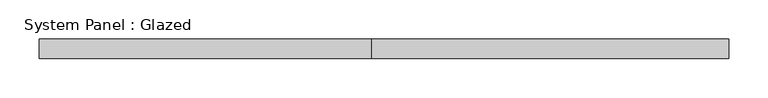
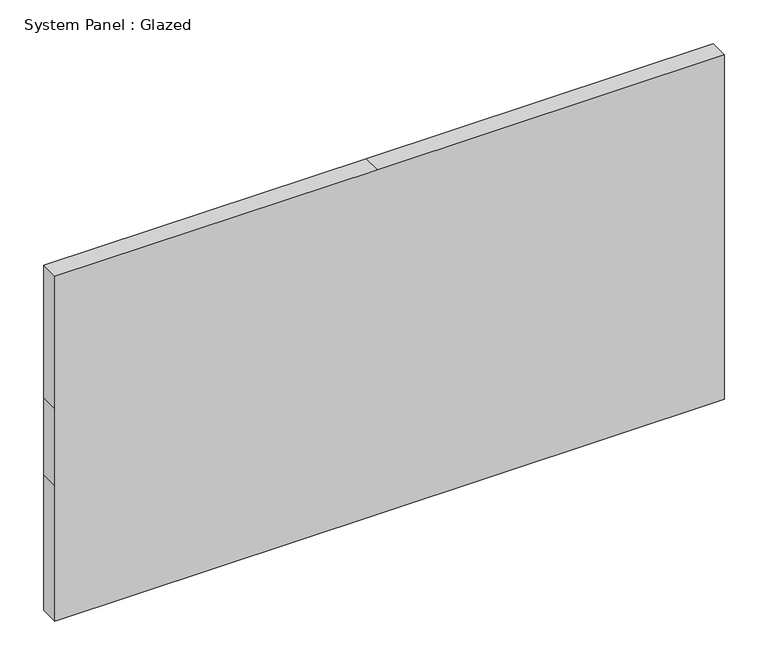
"""IFC4 building model written with IfcOpenShell, lengths in millimetres: plate geometry, System Panel : Glazed."""

from ifc_helpers import new_model, si_unit, frame, origin, place, context, project, spatial, polyline, outline, extrude, source, transform, mapped, element, save


def system_panel_glazed_cfced937(model_context):
    return source(origin(), model_context, "Body", "SweptSolid", [
        extrude(outline(polyline([(0.0, -441.325), (0.0, -15.875), (0.0, 441.325), (188.3833333, 441.325), (296.3333333, 441.325), (480.4833333, 441.325), (480.4833333, -15.875), (480.4833333, -441.325), (296.3333333, -441.325), (188.3833333, -441.325), (0.0, -441.325)])), frame((0.0, 19.05, 0.0), z_axis=(0.0, 1.0, 0.0), x_axis=(0.0, 0.0, 1.0)), (0.0, 0.0, 1.0), 25.4),
    ])


if __name__ == "__main__":
    model = new_model("IFC4")
    model_context = context("Model", 3, world=origin())
    ifc_project = project(units=[si_unit("LENGTHUNIT", "METRE", prefix="MILLI")], contexts=[model_context])
    site = spatial("IfcSite", under=ifc_project)
    building = spatial("IfcBuilding", under=site)
    placement = place(None, origin())
    system_panel_glazed_shape = system_panel_glazed_cfced937(model_context)
    element("IfcPlate", 1, ObjectType="System Panel : Glazed", at=placement, inside=building, context=model_context, shape_type="MappedRepresentation", body=[
        mapped(system_panel_glazed_shape, transform((0.0, 0.0, 0.0), x_axis=(1.0, 0.0, 0.0), y_axis=(0.0, 1.0, 0.0), z_axis=(0.0, 0.0, 1.0))),
    ])
    save(model, "model.ifc")
